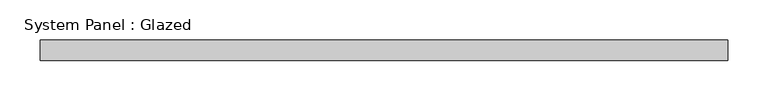
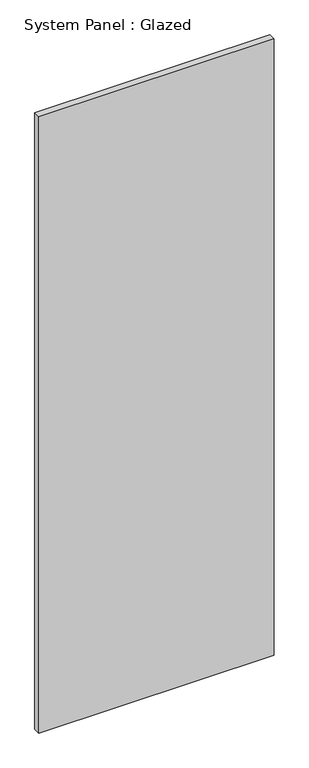
"""IFC4 building model written with IfcOpenShell, lengths in millimetres: plate geometry, System Panel : Glazed."""

from ifc_helpers import new_model, si_unit, origin, origin_with_axes, place, context, project, spatial, polyline, outline, extrude, source, transform, mapped, element, save


def system_panel_glazed_241afcba(model_context):
    return source(origin(), model_context, "Body", "SweptSolid", [
        extrude(outline(polyline([(427.8317066, -12.7), (-427.8317066, -12.7), (-427.8317066, 12.7), (427.8317066, 12.7), (427.8317066, -12.7)])), origin_with_axes(), (0.0, 0.0, 1.0), 2367.7626),
    ])


if __name__ == "__main__":
    model = new_model("IFC4")
    model_context = context("Model", 3, world=origin())
    ifc_project = project(units=[si_unit("LENGTHUNIT", "METRE", prefix="MILLI")], contexts=[model_context])
    site = spatial("IfcSite", under=ifc_project)
    building = spatial("IfcBuilding", under=site)
    placement = place(None, origin())
    system_panel_glazed_shape = system_panel_glazed_241afcba(model_context)
    element("IfcPlate", 1, ObjectType="System Panel : Glazed", at=placement, inside=building, context=model_context, shape_type="MappedRepresentation", body=[
        mapped(system_panel_glazed_shape, transform((0.0, 0.0, 0.0), x_axis=(1.0, 0.0, 0.0), y_axis=(0.0, 1.0, 0.0), z_axis=(0.0, 0.0, 1.0))),
    ])
    save(model, "model.ifc")
